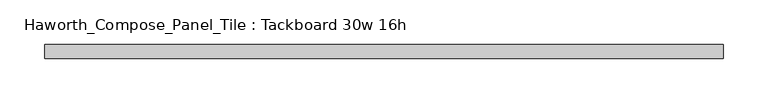
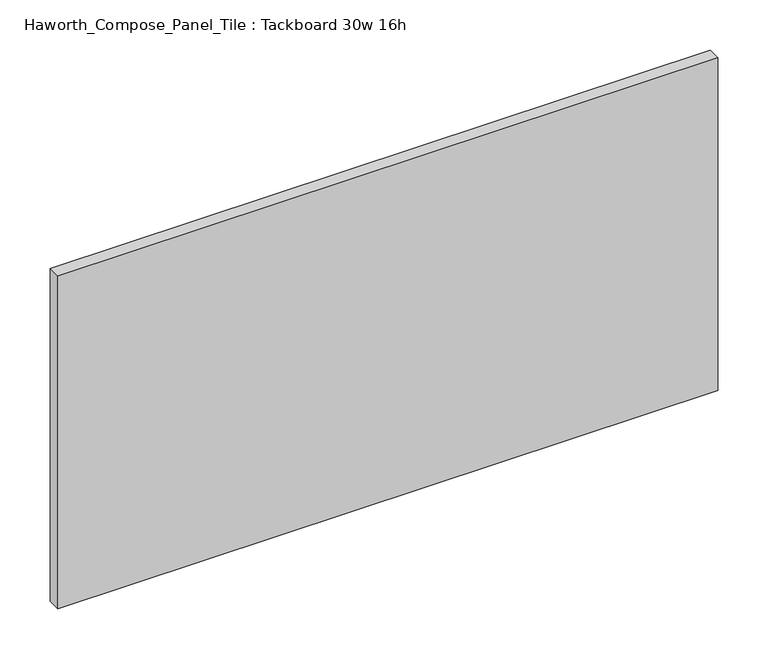
"""IFC4 building model written with IfcOpenShell, lengths in millimetres: furniture geometry, Haworth_Compose_Panel_Tile : Tackboard 30w 16h."""

import ifcopenshell
import ifcopenshell.guid

model = None  # the IFC model being written
_history = None  # IfcOwnerHistory: only IFC2X3 demands one
_inside = {}  # id of a spatial element -> (the spatial element, [elements in it])
_under = {}  # id of a project, library or spatial element -> (it, [spatial elements below it])
_declared = {}  # id of a project -> (the project, [libraries it declares])
_typed = {}  # id of a type object -> (the type object, [elements of that type])
_made_of = {}  # id of a material, layer set ... -> (it, [elements and type objects made of it])


def new_model(schema):
    """Start an empty IFC model of exactly this schema.

    Asked for "IFC4X3", IfcOpenShell would pick the latest addendum, in which some entities
    have other attributes; the version numbers below select the first issue.
    IFC2X3 requires an IfcOwnerHistory on every rooted entity: one is made here for all.
    """
    global model, _history
    if schema == "IFC4X3":
        model = ifcopenshell.file(schema_version=(4, 3, 0, 0))
    else:
        model = ifcopenshell.file(schema=schema)
    _inside.clear()
    _under.clear()
    _declared.clear()
    _typed.clear()
    _made_of.clear()
    _history = None
    if model.schema == "IFC2X3":
        org = make("IfcOrganization", Name="unknown")
        user = make(
            "IfcPersonAndOrganization",
            ThePerson=make("IfcPerson", FamilyName="unknown"),
            TheOrganization=org,
        )
        app = make(
            "IfcApplication",
            ApplicationDeveloper=org,
            Version="unknown",
            ApplicationFullName="unknown",
            ApplicationIdentifier="unknown",
        )
        _history = make(
            "IfcOwnerHistory",
            OwningUser=user,
            OwningApplication=app,
            ChangeAction="ADDED",
            CreationDate=0,
        )
    return model


def make(cls, **values):
    """One entity of the class cls with the attributes given. An attribute that is None is left unset."""
    return model.create_entity(
        cls, **{name: value for name, value in values.items() if value is not None}
    )


def rooted(cls, **values):
    """An entity with a GlobalId (a new one), such as an element, a storey or a relation."""
    return make(cls, GlobalId=ifcopenshell.guid.new(), OwnerHistory=_history, **values)


def si_unit(unit_type, name, prefix=None):
    """IfcSIUnit, for example si_unit("LENGTHUNIT", "METRE", prefix="MILLI")."""
    return make("IfcSIUnit", UnitType=unit_type, Prefix=prefix, Name=name)


def assignment(units):
    """IfcUnitAssignment: the units of a project."""
    return None if units is None else make("IfcUnitAssignment", Units=units)


def point(xyz):
    """IfcCartesianPoint."""
    return None if xyz is None else make("IfcCartesianPoint", Coordinates=xyz)


def direction(xyz):
    """IfcDirection."""
    return None if xyz is None else make("IfcDirection", DirectionRatios=xyz)


def frame(location, z_axis=None, x_axis=None):
    """IfcAxis2Placement3D, a coordinate frame: its origin and axes. An axis left out is left unset."""
    return make(
        "IfcAxis2Placement3D",
        Location=point(location),
        Axis=direction(z_axis),
        RefDirection=direction(x_axis),
    )


def origin():
    """The frame at (0, 0, 0) with its axes left unset."""
    return frame((0.0, 0.0, 0.0))


def place(relative_to, where):
    """IfcLocalPlacement: puts the frame where relative to a parent placement (None: the world)."""
    return make(
        "IfcLocalPlacement", PlacementRelTo=relative_to, RelativePlacement=where
    )


def context(
    kind, dimensions, precision=None, world=None, true_north=None, identifier=None
):
    """IfcGeometricRepresentationContext, for example the 3D "Model" context."""
    return make(
        "IfcGeometricRepresentationContext",
        ContextIdentifier=identifier,
        ContextType=kind,
        CoordinateSpaceDimension=dimensions,
        Precision=precision,
        WorldCoordinateSystem=world,
        TrueNorth=true_north,
    )


def project(units=None, contexts=None):
    """IfcProject with its units and contexts."""
    return rooted(
        "IfcProject",
        Name="project",
        RepresentationContexts=contexts,
        UnitsInContext=assignment(units),
    )


def spatial(cls, under=None, at=None, **own):
    """A site, building, storey or space (cls), placed at a placement, below another one or the project."""
    s = rooted(cls, ObjectPlacement=at, **own)
    if under is not None:
        _under.setdefault(under.id(), (under, []))[1].append(s)
    return s


def polyline(points):
    """IfcPolyline through the points."""
    return make("IfcPolyline", Points=[point(p) for p in points])


def outline(outer, holes=None, kind="AREA"):
    """IfcArbitraryClosedProfileDef: a profile drawn as a closed curve; with holes, ...WithVoids."""
    if holes is None:
        return make("IfcArbitraryClosedProfileDef", ProfileType=kind, OuterCurve=outer)
    return make(
        "IfcArbitraryProfileDefWithVoids",
        ProfileType=kind,
        OuterCurve=outer,
        InnerCurves=holes,
    )


def extrude(swept, where, along, depth):
    """IfcExtrudedAreaSolid: the profile swept, set in the frame where, extruded along a direction by depth."""
    return make(
        "IfcExtrudedAreaSolid",
        SweptArea=swept,
        Position=where,
        ExtrudedDirection=direction(along),
        Depth=depth,
    )


def shape(context_of_items, identifier, shape_type, items):
    """IfcShapeRepresentation: the items that make up one representation, for example the "Body"."""
    return make(
        "IfcShapeRepresentation",
        ContextOfItems=context_of_items,
        RepresentationIdentifier=identifier,
        RepresentationType=shape_type,
        Items=items,
    )


def source(mapping_origin, context_of_items, identifier, shape_type, items):
    """IfcRepresentationMap: a shape defined once, which mapped items show again and again."""
    return make(
        "IfcRepresentationMap",
        MappingOrigin=mapping_origin,
        MappedRepresentation=shape(context_of_items, identifier, shape_type, items),
    )


def transform(
    local_origin,
    x_axis=None,
    y_axis=None,
    z_axis=None,
    scale=None,
    scale2=None,
    scale3=None,
    uniform=True,
):
    """IfcCartesianTransformationOperator3D, or its non-uniform kind. x_axis, y_axis, z_axis: its Axis1, 2, 3."""
    if uniform:
        return make(
            "IfcCartesianTransformationOperator3D",
            Axis1=direction(x_axis),
            Axis2=direction(y_axis),
            LocalOrigin=point(local_origin),
            Scale=scale,
            Axis3=direction(z_axis),
        )
    return make(
        "IfcCartesianTransformationOperator3DnonUniform",
        Axis1=direction(x_axis),
        Axis2=direction(y_axis),
        LocalOrigin=point(local_origin),
        Scale=scale,
        Axis3=direction(z_axis),
        Scale2=scale2,
        Scale3=scale3,
    )


def mapped(mapping_source, mapping_target):
    """IfcMappedItem: shows the shape of a source again, moved by a transform."""
    return make(
        "IfcMappedItem", MappingSource=mapping_source, MappingTarget=mapping_target
    )


def made_of(thing, what):
    """Note that an element or type object is made of a material, layer set ...; save() writes the relation."""
    if what is not None:
        _made_of.setdefault(what.id(), (what, []))[1].append(thing)
    return thing


def element(
    cls,
    number,
    at=None,
    inside=None,
    cuts=None,
    type_object=None,
    material=None,
    context=None,
    identifier="Body",
    shape_type=None,
    held_by="IfcProductDefinitionShape",
    body=None,
    shapes=None,
    **own,
):
    """One element of the class cls, such as IfcWall. Its Tag is "e" and its number.

    at: its placement. inside: the storey or other place that contains it. cuts: it is an
    opening in that element (IfcRelVoidsElement). A single representation is given by context,
    identifier, shape_type and body (its items); several are given by shapes. held_by: the class
    of the entity that holds the representations. save() writes the other relations.
    """
    e = rooted(cls, Tag="e%d" % number, ObjectPlacement=at, **own)
    if body is not None:
        shapes = [shape(context, identifier, shape_type, body)]
    if shapes is not None:
        e.Representation = make(held_by, Representations=shapes)
    if inside is not None:
        _inside.setdefault(inside.id(), (inside, []))[1].append(e)
    if cuts is not None:
        rooted(
            "IfcRelVoidsElement", RelatingBuildingElement=cuts, RelatedOpeningElement=e
        )
    if type_object is not None:
        _typed.setdefault(type_object.id(), (type_object, []))[1].append(e)
    return made_of(e, material)


def aggregate(whole, parts):
    """IfcRelAggregates: a whole, such as a stair, and the parts it consists of."""
    return rooted("IfcRelAggregates", RelatingObject=whole, RelatedObjects=parts)


def save(model, path):
    """Write the relations noted so far, then the file.

    IfcRelAggregates (storeys below a building ...), IfcRelContainedInSpatialStructure (elements
    in a storey), IfcRelDefinesByType, IfcRelAssociatesMaterial and IfcRelDeclares: one each for
    every whole, place, type object, material and project.
    """
    for whole, parts in _under.values():
        aggregate(whole, parts)
    for where, things in _inside.values():
        rooted(
            "IfcRelContainedInSpatialStructure",
            RelatedElements=things,
            RelatingStructure=where,
        )
    for kind, things in _typed.values():
        rooted("IfcRelDefinesByType", RelatedObjects=things, RelatingType=kind)
    for what, things in _made_of.values():
        rooted("IfcRelAssociatesMaterial", RelatedObjects=things, RelatingMaterial=what)
    for by, libraries in _declared.values():
        rooted("IfcRelDeclares", RelatingContext=by, RelatedDefinitions=libraries)
    model.write(path)


def haworth_compose_panel_tile_tackboard_30w_16h_66e116b3(model_context):
    return source(origin(), model_context, "Body", "SweptSolid", [
        extrude(outline(polyline([(383.4402902, -28.8968594), (-378.5597098, -28.8968594), (-378.5597098, -13.0218594), (383.4402902, -13.0218594), (383.4402902, -28.8968594)])), frame((0.0, 0.0, 1066.8), z_axis=(0.0, 0.0, 1.0), x_axis=(1.0, 0.0, 0.0)), (0.0, 0.0, 1.0), 406.4),
    ])


if __name__ == "__main__":
    model = new_model("IFC4")
    model_context = context("Model", 3, world=origin())
    ifc_project = project(units=[si_unit("LENGTHUNIT", "METRE", prefix="MILLI")], contexts=[model_context])
    site = spatial("IfcSite", under=ifc_project)
    building = spatial("IfcBuilding", under=site)
    placement = place(None, origin())
    haworth_compose_panel_tile_tackboard_30w_16h_shape = haworth_compose_panel_tile_tackboard_30w_16h_66e116b3(model_context)
    element("IfcFurniture", 1, ObjectType="Haworth_Compose_Panel_Tile : Tackboard 30w 16h", at=placement, inside=building, context=model_context, shape_type="MappedRepresentation", body=[
        mapped(haworth_compose_panel_tile_tackboard_30w_16h_shape, transform((0.0, 0.0, 0.0), x_axis=(1.0, 0.0, 0.0), y_axis=(0.0, 1.0, 0.0), z_axis=(0.0, 0.0, 1.0))),
    ])
    save(model, "model.ifc")
